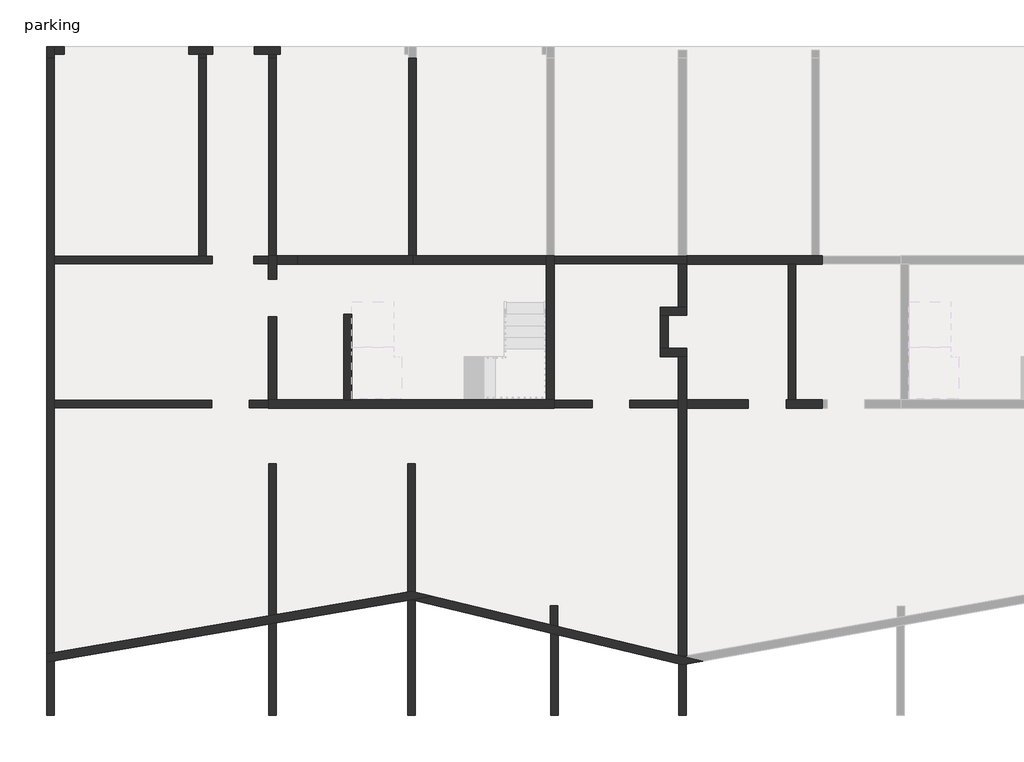
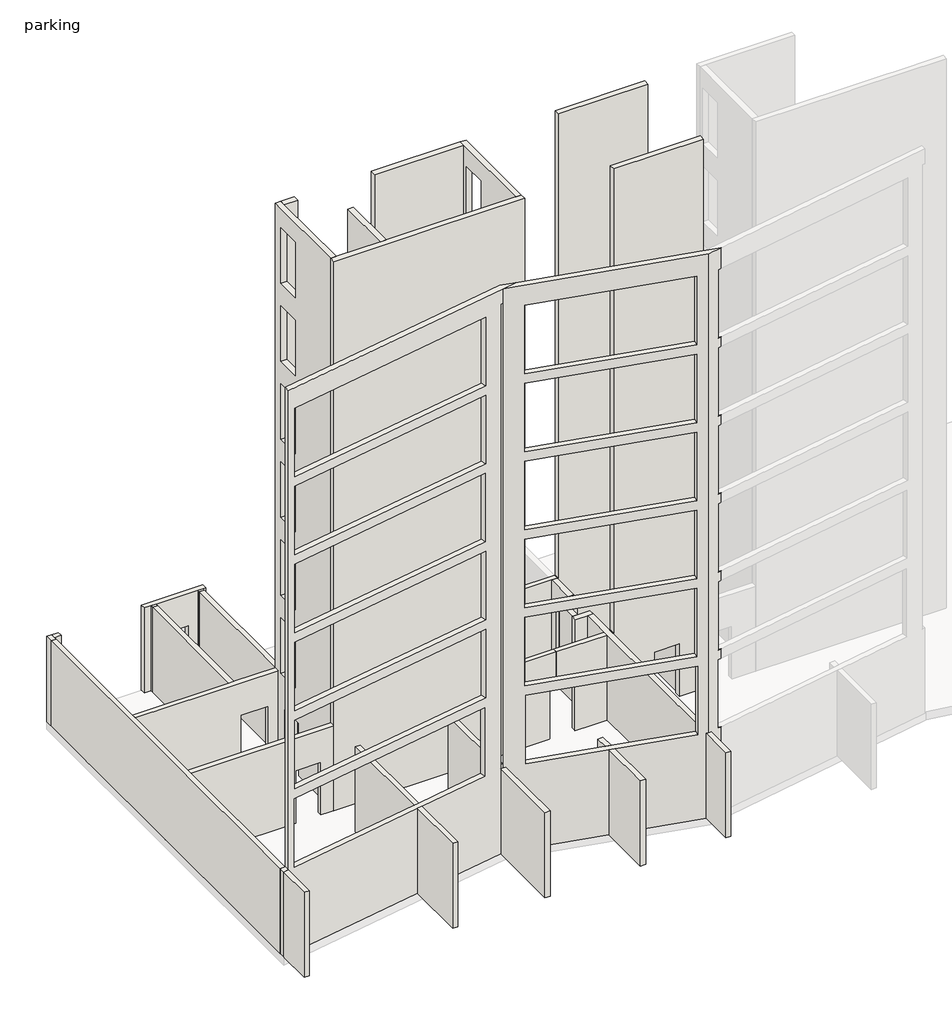
# One storey, part 1 of 4: 39 walls.
"""IFC4 building model written with IfcOpenShell, lengths in millimetres."""

from ifc_helpers import new_model, si_unit, frame, origin, place, context, project, spatial, polyline, outline, extrude, faceted_brep, element, save

model = new_model("IFC4")

# Units and contexts
model_context = context("Model", 3, world=origin())
ifc_project = project(units=[si_unit("LENGTHUNIT", "METRE", prefix="MILLI")], contexts=[model_context])

# Site, building, storey
site = spatial("IfcSite", under=ifc_project)
building = spatial("IfcBuilding", under=site)
storey = spatial("IfcBuildingStorey", under=building, Name="parking", Elevation=-3230.0)

# Walls
placement = place(None, origin())
element("IfcWall", 1, ObjectType="Generic - 180mm 2", at=placement, inside=storey, context=model_context, shape_type="Brep", body=[
    faceted_brep([(-6047.8096791, 13727.190715, -3230.0), (-3082.8096791, 13727.190715, -3230.0), (-2882.8096791, 13727.190715, -3230.0), (-2882.8096791, 13727.190715, 0.0), (-3082.8096791, 13727.190715, 0.0), (-6047.8096791, 13727.190715, 0.0), (-6047.8096791, 13907.190715, -3230.0), (-6047.8096791, 13907.190715, 0.0), (-3082.8096791, 13907.190715, 0.0), (-2882.8096791, 13907.190715, 0.0), (-2882.8096791, 13907.190715, -3230.0), (-3082.8096791, 13907.190715, -3230.0)], [[[0, 1, 2, 3, 4, 5]], [[6, 7, 8, 9, 10, 11]], [[2, 1, 0, 6, 11, 10]], [[5, 4, 3, 9, 8, 7]], [[0, 5, 7, 6]], [[3, 2, 10, 9]]]),
])
element("IfcWall", 2, ObjectType="Generic - 180mm 2", at=placement, inside=storey, context=model_context, shape_type="SweptSolid", body=[
    extrude(outline(polyline([(0.0, -4912.8096791), (0.0, -6047.8096791), (-3230.0, -6047.8096791), (-3230.0, -5139.8096791), (-1230.0, -5139.8096791), (-1230.0, -4912.8096791), (0.0, -4912.8096791)])), frame((0.0, 10277.190715, 0.0), z_axis=(0.0, 1.0, 0.0), x_axis=(0.0, 0.0, 1.0)), (0.0, 0.0, 1.0), 180.0),
])
element("IfcWall", 3, ObjectType="Generic - 180mm 2", at=placement, inside=storey, context=model_context, shape_type="Brep", body=[
    faceted_brep([(-13247.8096791, 13727.190715, -1230.0), (-13247.8096791, 13727.190715, -3230.0), (-12897.8096791, 13727.190715, -3230.0), (-12897.8096791, 13727.190715, 0.0), (-18032.8096791, 13727.190715, 0.0), (-18032.8096791, 13727.190715, -3230.0), (-14247.8096791, 13727.190715, -3230.0), (-14247.8096791, 13727.190715, -1230.0), (-12897.8096791, 13907.190715, -3230.0), (-13247.8096791, 13907.190715, -3230.0), (-13247.8096791, 13907.190715, -1230.0), (-14247.8096791, 13907.190715, -1230.0), (-14247.8096791, 13907.190715, -3230.0), (-14387.8096791, 13907.190715, -3230.0), (-14567.8096791, 13907.190715, -3230.0), (-18032.8096791, 13907.190715, -3230.0), (-18032.8096791, 13907.190715, 0.0), (-14567.8096791, 13907.190715, 0.0), (-14387.8096791, 13907.190715, 0.0), (-12897.8096791, 13907.190715, 0.0)], [[[0, 1, 2, 3, 4, 5, 6, 7]], [[8, 9, 10, 11, 12, 13, 14, 15, 16, 17, 18, 19]], [[6, 5, 15, 14, 13, 12]], [[2, 1, 9, 8]], [[4, 3, 19, 18, 17, 16]], [[3, 2, 8, 19]], [[5, 4, 16, 15]], [[12, 11, 7, 6]], [[10, 9, 1, 0]], [[11, 10, 0, 7]]]),
])
element("IfcWall", 4, ObjectType="Generic - 180mm 2", at=placement, inside=storey, context=model_context, shape_type="SweptSolid", body=[
    extrude(outline(polyline([(-3230.0, -18032.8096791), (-3230.0, -14257.8096791), (-1230.0, -14257.8096791), (-1230.0, -13357.8096791), (-3230.0, -13357.8096791), (-3230.0, -12897.8096791), (0.0, -12897.8096791), (0.0, -18032.8096791), (-3230.0, -18032.8096791)])), frame((0.0, 10277.190715, 0.0), z_axis=(0.0, 1.0, 0.0), x_axis=(0.0, 0.0, 1.0)), (0.0, 0.0, 1.0), 180.0),
])
element("IfcWall", 5, ObjectType="Generic - 180mm 2", at=placement, inside=storey, context=model_context, shape_type="SweptSolid", body=[
    extrude(outline(polyline([(0.0, -3082.8096791), (0.0, -4912.8096791), (-1230.0, -4912.8096791), (-1230.0, -4239.8096791), (-3230.0, -4239.8096791), (-3230.0, -3082.8096791), (0.0, -3082.8096791)])), frame((0.0, 10277.190715, 0.0), z_axis=(0.0, 1.0, 0.0), x_axis=(0.0, 0.0, 1.0)), (0.0, 0.0, 1.0), 180.0),
])
element("IfcWall", 6, ObjectType="Generic - 180mm 2", at=placement, inside=storey, context=model_context, shape_type="Brep", body=[
    faceted_brep([(-18212.8096791, 18647.190715, -3230.0), (-18212.8096791, 4388.287334, -3230.0), (-18212.8096791, 4388.287334, 0.0), (-18212.8096791, 18647.190715, 0.0), (-18032.8096791, 18647.190715, -3230.0), (-18032.8096791, 18647.190715, 0.0), (-18032.8096791, 13907.190715, 0.0), (-18032.8096791, 13727.190715, 0.0), (-18032.8096791, 10457.190715, 0.0), (-18032.8096791, 10277.190715, 0.0), (-18032.8096791, 4418.9809757, 0.0), (-18032.8096791, 4418.9809757, -3230.0), (-18032.8096791, 10277.190715, -3230.0), (-18032.8096791, 10457.190715, -3230.0), (-18032.8096791, 13727.190715, -3230.0), (-18032.8096791, 13907.190715, -3230.0)], [[[0, 1, 2, 3]], [[4, 5, 6, 7, 8, 9, 10, 11, 12, 13, 14, 15]], [[1, 0, 4, 15, 14, 13, 12, 11]], [[3, 2, 10, 9, 8, 7, 6, 5]], [[0, 3, 5, 4]], [[2, 1, 11, 10]]]),
])
element("IfcWall", 7, ObjectType="Generic - 180mm 2", at=placement, inside=storey, context=model_context, shape_type="SweptSolid", body=[
    extrude(outline(polyline([(-12707.8096791, 18647.190715), (-12707.8096791, 13917.190715), (-12887.8096791, 13917.190715), (-12887.8096791, 18647.190715), (-12707.8096791, 18647.190715)])), frame((0.0, 0.0, -3230.0), z_axis=(0.0, 0.0, 1.0), x_axis=(1.0, 0.0, 0.0)), (0.0, 0.0, 1.0), 3230.0),
])
element("IfcWall", 8, ObjectType="Generic - 180mm 2", at=placement, inside=storey, context=model_context, shape_type="Brep", body=[
    faceted_brep([(-9532.8096791, 18647.190715, -3230.0), (-9532.8096791, 13917.190715, -3230.0), (-9532.8096791, 13917.190715, 0.0), (-9532.8096791, 18647.190715, 0.0), (-9352.8096791, 18647.190715, -3230.0), (-9352.8096791, 18647.190715, 0.0), (-9352.8096791, 13917.190715, 0.0), (-9352.8096791, 13917.190715, -3230.0), (-9437.8096791, 13917.190715, -3230.0), (-9442.8096791, 13917.190715, -3230.0), (-9437.8096791, 13917.190715, 0.0)], [[[0, 1, 2, 3]], [[4, 5, 6, 7]], [[1, 0, 4, 7, 8, 9]], [[3, 2, 10, 6, 5]], [[0, 3, 5, 4]], [[2, 1, 9, 8, 7, 6, 10]]]),
])
element("IfcWall", 9, ObjectType="Generic - 180mm 2", at=placement, inside=storey, context=model_context, shape_type="SweptSolid", body=[
    extrude(outline(polyline([(-14567.8096791, 13907.190715), (-14567.8096791, 18647.190715), (-14387.8096791, 18647.190715), (-14387.8096791, 13907.190715), (-14567.8096791, 13907.190715)])), frame((0.0, 0.0, -3230.0), z_axis=(0.0, 0.0, 1.0), x_axis=(1.0, 0.0, 0.0)), (0.0, 0.0, 1.0), 3230.0),
])
element("IfcWall", 10, ObjectType="Generic - 180mm 2", at=placement, inside=storey, context=model_context, shape_type="SweptSolid", body=[
    extrude(outline(polyline([(-446.8096791, 10467.190715), (-446.8096791, 13717.190715), (-266.8096791, 13717.190715), (-266.8096791, 10467.190715), (-446.8096791, 10467.190715)])), frame((0.0, 0.0, -3230.0), z_axis=(0.0, 0.0, 1.0), x_axis=(1.0, 0.0, 0.0)), (0.0, 0.0, 1.0), 3230.0),
])
element("IfcWall", 11, ObjectType="Generic - 180mm 2", at=placement, inside=storey, context=model_context, shape_type="SweptSolid", body=[
    extrude(outline(polyline([(-9379.3905706, 8937.190715), (-9379.3905706, 5857.5839), (-9469.3905706, 5879.217182), (-9559.3905706, 5863.8703612), (-9559.3905706, 8937.190715), (-9379.3905706, 8937.190715)])), frame((0.0, 0.0, -3230.0), z_axis=(0.0, 0.0, 1.0), x_axis=(1.0, 0.0, 0.0)), (0.0, 0.0, 1.0), 3230.0),
])
element("IfcWall", 12, ObjectType="Generic - 180mm 2", at=placement, inside=storey, context=model_context, shape_type="SweptSolid", body=[
    extrude(outline(polyline([(-12891.8096791, 5295.6254843), (-12891.8096791, 8937.190715), (-12711.8096791, 8937.190715), (-12711.8096791, 5326.3191259), (-12891.8096791, 5295.6254843)])), frame((0.0, 0.0, -3230.0), z_axis=(0.0, 0.0, 1.0), x_axis=(1.0, 0.0, 0.0)), (0.0, 0.0, 1.0), 3230.0),
])
element("IfcWall", 13, ObjectType="Generic - 180mm 2", at=placement, inside=storey, context=model_context, shape_type="SweptSolid", body=[
    extrude(outline(polyline([(-6148.8096791, 5081.0498183), (-6148.8096791, 5537.5682188), (-5968.8096791, 5537.5682188), (-5968.8096791, 5037.7832543), (-6148.8096791, 5081.0498183)])), frame((0.0, 0.0, -3230.0), z_axis=(0.0, 0.0, 1.0), x_axis=(1.0, 0.0, 0.0)), (0.0, 0.0, 1.0), 3230.0),
])
element("IfcWall", 14, ObjectType="Generic - 180mm 2", at=placement, inside=storey, context=model_context, shape_type="Brep", body=[
    faceted_brep([(-18032.8096791, 18647.190715, -3230.0), (-18032.8096791, 18747.190715, -3230.0), (-18032.8096791, 18927.190715, -3230.0), (-18032.8096791, 18927.190715, 0.0), (-18032.8096791, 18747.190715, 0.0), (-18032.8096791, 18647.190715, 0.0), (-18212.8096791, 18647.190715, -3230.0), (-18212.8096791, 18647.190715, 0.0), (-18212.8096791, 18927.190715, 0.0), (-18212.8096791, 18927.190715, -3230.0)], [[[0, 1, 2, 3, 4, 5]], [[6, 7, 8, 9]], [[2, 1, 0, 6, 9]], [[5, 4, 3, 8, 7]], [[0, 5, 7, 6]], [[3, 2, 9, 8]]]),
])
element("IfcWall", 15, ObjectType="Generic - 180mm 2", at=placement, inside=storey, context=model_context, shape_type="SweptSolid", body=[
    extrude(outline(polyline([(-17792.2096791, 18747.190715), (-18032.8096791, 18747.190715), (-18032.8096791, 18927.190715), (-17792.2096791, 18927.190715), (-17792.2096791, 18747.190715)])), frame((0.0, 0.0, -3230.0), z_axis=(0.0, 0.0, 1.0), x_axis=(1.0, 0.0, 0.0)), (0.0, 0.0, 1.0), 3230.0),
])
element("IfcWall", 16, ObjectType="Generic - 180mm 2", at=placement, inside=storey, context=model_context, shape_type="SweptSolid", body=[
    extrude(outline(polyline([(-14387.8096791, 18747.190715), (-14387.8096791, 18647.190715), (-14567.8096791, 18647.190715), (-14567.8096791, 18747.190715), (-14387.8096791, 18747.190715)])), frame((0.0, 0.0, -3230.0), z_axis=(0.0, 0.0, 1.0), x_axis=(1.0, 0.0, 0.0)), (0.0, 0.0, 1.0), 3230.0),
])
element("IfcWall", 17, ObjectType="Generic - 180mm 2", at=placement, inside=storey, context=model_context, shape_type="Brep", body=[
    faceted_brep([(-14809.8096791, 18747.190715, -3230.0), (-14567.8096791, 18747.190715, -3230.0), (-14387.8096791, 18747.190715, -3230.0), (-14237.8096791, 18747.190715, -3230.0), (-14237.8096791, 18747.190715, -1230.0), (-13237.8096791, 18747.190715, -1230.0), (-13237.8096791, 18747.190715, -3230.0), (-12887.8096791, 18747.190715, -3230.0), (-12707.8096791, 18747.190715, -3230.0), (-12610.2096791, 18747.190715, -3230.0), (-12610.2096791, 18747.190715, 0.0), (-12707.8096791, 18747.190715, 0.0), (-12887.8096791, 18747.190715, 0.0), (-14387.8096791, 18747.190715, 0.0), (-14567.8096791, 18747.190715, 0.0), (-14809.8096791, 18747.190715, 0.0), (-14237.8096791, 18927.190715, -1230.0), (-14237.8096791, 18927.190715, -3230.0), (-14809.8096791, 18927.190715, -3230.0), (-14809.8096791, 18927.190715, 0.0), (-12610.2096791, 18927.190715, 0.0), (-12610.2096791, 18927.190715, -3230.0), (-13237.8096791, 18927.190715, -3230.0), (-13237.8096791, 18927.190715, -1230.0)], [[[0, 1, 2, 3, 4, 5, 6, 7, 8, 9, 10, 11, 12, 13, 14, 15]], [[16, 17, 18, 19, 20, 21, 22, 23]], [[22, 21, 9, 8, 7, 6]], [[18, 17, 3, 2, 1, 0]], [[10, 9, 21, 20]], [[15, 14, 13, 12, 11, 10, 20, 19]], [[0, 15, 19, 18]], [[6, 5, 23, 22]], [[4, 3, 17, 16]], [[5, 4, 16, 23]]]),
])
element("IfcWall", 18, ObjectType="Generic - 180mm 2", at=placement, inside=storey, context=model_context, shape_type="SweptSolid", body=[
    extrude(outline(polyline([(-12707.8096791, 18747.190715), (-12707.8096791, 18647.190715), (-12887.8096791, 18647.190715), (-12887.8096791, 18747.190715), (-12707.8096791, 18747.190715)])), frame((0.0, 0.0, -3230.0), z_axis=(0.0, 0.0, 1.0), x_axis=(1.0, 0.0, 0.0)), (0.0, 0.0, 1.0), 3230.0),
])
element("IfcWall", 19, ObjectType="Generic - 180mm 2", at=placement, inside=storey, context=model_context, shape_type="SweptSolid", body=[
    extrude(outline(polyline([(-3075.7484325, 2912.190715), (-3075.7484325, 4136.682067), (-2985.7484325, 4115.0487851), (-2895.7484325, 4131.2743378), (-2895.7484325, 2912.190715), (-3075.7484325, 2912.190715)])), frame((0.0, 0.0, -3230.0), z_axis=(0.0, 0.0, 1.0), x_axis=(1.0, 0.0, 0.0)), (0.0, 0.0, 1.0), 3230.0),
])
element("IfcWall", 20, ObjectType="Generic - 180mm 2", at=placement, inside=storey, context=model_context, shape_type="SweptSolid", body=[
    extrude(outline(polyline([(-6137.8096791, 2912.190715), (-6137.8096791, 4872.7091155), (-5957.8096791, 4829.4425516), (-5957.8096791, 2912.190715), (-6137.8096791, 2912.190715)])), frame((0.0, 0.0, -3230.0), z_axis=(0.0, 0.0, 1.0), x_axis=(1.0, 0.0, 0.0)), (0.0, 0.0, 1.0), 3230.0),
])
element("IfcWall", 21, ObjectType="Generic - 180mm 2", at=placement, inside=storey, context=model_context, shape_type="SweptSolid", body=[
    extrude(outline(polyline([(-18212.8096791, 2912.190715), (-18212.8096791, 4185.4004543), (-18032.8096791, 4216.0940959), (-18032.8096791, 2912.190715), (-18212.8096791, 2912.190715)])), frame((0.0, 0.0, -3230.0), z_axis=(0.0, 0.0, 1.0), x_axis=(1.0, 0.0, 0.0)), (0.0, 0.0, 1.0), 3230.0),
])
element("IfcWall", 22, ObjectType="Generic - 180mm 2", at=placement, inside=storey, context=model_context, shape_type="SweptSolid", body=[
    extrude(outline(polyline([(-12887.8096791, 2908.7675063), (-12887.8096791, 5093.4206855), (-12707.8096791, 5124.1143271), (-12707.8096791, 2908.7675063), (-12887.8096791, 2908.7675063)])), frame((0.0, 0.0, -3230.0), z_axis=(0.0, 0.0, 1.0), x_axis=(1.0, 0.0, 0.0)), (0.0, 0.0, 1.0), 3230.0),
])
element("IfcWall", 23, ObjectType="Generic - 180mm 2", at=placement, inside=storey, context=model_context, shape_type="SweptSolid", body=[
    extrude(outline(polyline([(-9566.2287876, 2912.190715), (-9566.2287876, 5659.8174271), (-9476.2287876, 5675.1642479), (-9386.2287876, 5653.530966), (-9386.2287876, 2912.190715), (-9566.2287876, 2912.190715)])), frame((0.0, 0.0, -3230.0), z_axis=(0.0, 0.0, 1.0), x_axis=(1.0, 0.0, 0.0)), (0.0, 0.0, 1.0), 3230.0),
])
element("IfcWall", 24, ObjectType="Generic - 200mm", at=placement, inside=storey, context=model_context, shape_type="Brep", body=[
    faceted_brep([(-12897.8096791, 10267.190715, 17620.0), (-12897.8096791, 10267.190715, -3230.0), (-6047.8096791, 10267.190715, -3230.0), (-6047.8096791, 10267.190715, 17620.0), (-9372.8096791, 10267.190715, 17620.0), (-9572.8096791, 10267.190715, 17620.0), (-12897.8096791, 10467.190715, -3230.0), (-12897.8096791, 10467.190715, 17620.0), (-12697.8096791, 10467.190715, 17620.0), (-11097.8096791, 10467.190715, 17620.0), (-10897.8096791, 10467.190715, 17620.0), (-6247.8096791, 10467.190715, 17620.0), (-6047.8096791, 10467.190715, 17620.0), (-6047.8096791, 10467.190715, -3230.0), (-6247.8096791, 10467.190715, -3230.0), (-10897.8096791, 10467.190715, -3230.0), (-11097.8096791, 10467.190715, -3230.0), (-12697.8096791, 10467.190715, -3230.0), (-12897.8096791, 10277.190715, -3230.0), (-12897.8096791, 10457.190715, -3230.0), (-6047.8096791, 10457.190715, -3230.0), (-6047.8096791, 10277.190715, -3230.0)], [[[0, 1, 2, 3, 4, 5]], [[6, 7, 8, 9, 10, 11, 12, 13, 14, 15, 16, 17]], [[2, 1, 18, 19, 6, 17, 16, 15, 14, 13, 20, 21]], [[0, 5, 4, 3, 12, 11, 10, 9, 8, 7]], [[2, 21, 20, 13, 12, 3]], [[0, 7, 6, 19, 18, 1]]]),
])
element("IfcWall", 25, ObjectType="Generic - 200mm", at=placement, inside=storey, context=model_context, shape_type="Brep", body=[
    faceted_brep([(-6047.8096791, 10467.190715, -3230.0), (-6047.8096791, 13727.190715, -3230.0), (-6047.8096791, 13907.190715, -3230.0), (-6047.8096791, 13917.190715, -3230.0), (-6047.8096791, 13917.190715, 17620.0), (-6047.8096791, 10467.190715, 17620.0), (-6047.8096791, 12657.190715, 8020.0), (-6047.8096791, 13557.190715, 8020.0), (-6047.8096791, 13557.190715, 5920.0), (-6047.8096791, 12657.190715, 5920.0), (-6047.8096791, 12617.190715, 2100.0), (-6047.8096791, 13557.190715, 2100.0), (-6047.8096791, 13557.190715, 0.0), (-6047.8096791, 12617.190715, 0.0), (-6047.8096791, 13557.190715, 10980.0), (-6047.8096791, 13557.190715, 8880.0), (-6047.8096791, 12657.190715, 8880.0), (-6047.8096791, 12657.190715, 10980.0), (-6047.8096791, 12657.190715, 13940.0), (-6047.8096791, 13557.190715, 13940.0), (-6047.8096791, 13557.190715, 11840.0), (-6047.8096791, 12657.190715, 11840.0), (-6047.8096791, 12657.190715, 16900.0), (-6047.8096791, 13557.190715, 16900.0), (-6047.8096791, 13557.190715, 14800.0), (-6047.8096791, 12657.190715, 14800.0), (-6047.8096791, 13557.190715, 5060.0), (-6047.8096791, 13557.190715, 2960.0), (-6047.8096791, 12657.190715, 2960.0), (-6047.8096791, 12657.190715, 5060.0), (-6247.8096791, 13917.190715, -3230.0), (-6247.8096791, 13717.190715, -3230.0), (-6247.8096791, 10467.190715, -3230.0), (-6247.8096791, 10467.190715, 17620.0), (-6247.8096791, 13717.190715, 17620.0), (-6247.8096791, 13917.190715, 17620.0), (-6247.8096791, 12657.190715, 8020.0), (-6247.8096791, 12657.190715, 5920.0), (-6247.8096791, 13557.190715, 5920.0), (-6247.8096791, 13557.190715, 8020.0), (-6247.8096791, 13557.190715, 10980.0), (-6247.8096791, 12657.190715, 10980.0), (-6247.8096791, 12657.190715, 8880.0), (-6247.8096791, 13557.190715, 8880.0), (-6247.8096791, 12657.190715, 13940.0), (-6247.8096791, 12657.190715, 11840.0), (-6247.8096791, 13557.190715, 11840.0), (-6247.8096791, 13557.190715, 13940.0), (-6247.8096791, 12657.190715, 16900.0), (-6247.8096791, 12657.190715, 14800.0), (-6247.8096791, 13557.190715, 14800.0), (-6247.8096791, 13557.190715, 16900.0), (-6247.8096791, 12617.190715, 0.0), (-6247.8096791, 13557.190715, 0.0), (-6247.8096791, 13557.190715, 2100.0), (-6247.8096791, 12617.190715, 2100.0), (-6247.8096791, 13557.190715, 5060.0), (-6247.8096791, 12657.190715, 5060.0), (-6247.8096791, 12657.190715, 2960.0), (-6247.8096791, 13557.190715, 2960.0), (-6237.8096791, 13917.190715, -3230.0), (-6057.8096791, 13917.190715, -3230.0)], [[[0, 1, 2, 3, 4, 5], [6, 7, 8, 9], [10, 11, 12, 13], [14, 15, 16, 17], [18, 19, 20, 21], [22, 23, 24, 25], [26, 27, 28, 29]], [[30, 31, 32, 33, 34, 35], [36, 37, 38, 39], [40, 41, 42, 43], [44, 45, 46, 47], [48, 49, 50, 51], [52, 53, 54, 55], [56, 57, 58, 59]], [[3, 2, 1, 0, 32, 31, 30, 60, 61]], [[5, 4, 35, 34, 33]], [[12, 53, 52, 13]], [[54, 53, 12, 11]], [[54, 11, 10, 55]], [[37, 36, 6, 9]], [[38, 37, 9, 8]], [[39, 38, 8, 7]], [[36, 39, 7, 6]], [[55, 10, 13, 52]], [[15, 14, 40, 43]], [[16, 15, 43, 42]], [[17, 16, 42, 41]], [[14, 17, 41, 40]], [[45, 44, 18, 21]], [[46, 45, 21, 20]], [[47, 46, 20, 19]], [[44, 47, 19, 18]], [[49, 48, 22, 25]], [[50, 49, 25, 24]], [[51, 50, 24, 23]], [[48, 51, 23, 22]], [[3, 61, 60, 30, 35, 4]], [[5, 33, 32, 0]], [[27, 26, 56, 59]], [[28, 27, 59, 58]], [[29, 28, 58, 57]], [[26, 29, 57, 56]]]),
])
element("IfcWall", 26, ObjectType="Generic - 200mm", at=placement, inside=storey, context=model_context, shape_type="Brep", body=[
    faceted_brep([(-12697.8096791, 10467.190715, -3230.0), (-12697.8096791, 12457.190715, -3230.0), (-12697.8096791, 12457.190715, -1230.0), (-12697.8096791, 13357.190715, -1230.0), (-12697.8096791, 13357.190715, -3230.0), (-12697.8096791, 13717.190715, -3230.0), (-12697.8096791, 13917.190715, -3230.0), (-12697.8096791, 13917.190715, 17620.0), (-12697.8096791, 13717.190715, 17620.0), (-12697.8096791, 10467.190715, 17620.0), (-12697.8096791, 12657.190715, 2100.0), (-12697.8096791, 13557.190715, 2100.0), (-12697.8096791, 13557.190715, 0.0), (-12697.8096791, 12657.190715, 0.0), (-12697.8096791, 13557.190715, 8020.0), (-12697.8096791, 13557.190715, 5920.0), (-12697.8096791, 12657.190715, 5920.0), (-12697.8096791, 12657.190715, 8020.0), (-12697.8096791, 13557.190715, 10980.0), (-12697.8096791, 13557.190715, 8880.0), (-12697.8096791, 12657.190715, 8880.0), (-12697.8096791, 12657.190715, 10980.0), (-12697.8096791, 12657.190715, 13940.0), (-12697.8096791, 13557.190715, 13940.0), (-12697.8096791, 13557.190715, 11840.0), (-12697.8096791, 12657.190715, 11840.0), (-12697.8096791, 12657.190715, 16900.0), (-12697.8096791, 13557.190715, 16900.0), (-12697.8096791, 13557.190715, 14800.0), (-12697.8096791, 12657.190715, 14800.0), (-12697.8096791, 12657.190715, 5060.0), (-12697.8096791, 13557.190715, 5060.0), (-12697.8096791, 13557.190715, 2960.0), (-12697.8096791, 12657.190715, 2960.0), (-12897.8096791, 12457.190715, -1230.0), (-12897.8096791, 12457.190715, -3230.0), (-12897.8096791, 10467.190715, -3230.0), (-12897.8096791, 10467.190715, 17620.0), (-12897.8096791, 13917.190715, 17620.0), (-12897.8096791, 13917.190715, -3230.0), (-12897.8096791, 13907.190715, -3230.0), (-12897.8096791, 13727.190715, -3230.0), (-12897.8096791, 13357.190715, -3230.0), (-12897.8096791, 13357.190715, -1230.0), (-12897.8096791, 12657.190715, 2100.0), (-12897.8096791, 12657.190715, 0.0), (-12897.8096791, 13557.190715, 0.0), (-12897.8096791, 13557.190715, 2100.0), (-12897.8096791, 13557.190715, 8020.0), (-12897.8096791, 12657.190715, 8020.0), (-12897.8096791, 12657.190715, 5920.0), (-12897.8096791, 13557.190715, 5920.0), (-12897.8096791, 13557.190715, 10980.0), (-12897.8096791, 12657.190715, 10980.0), (-12897.8096791, 12657.190715, 8880.0), (-12897.8096791, 13557.190715, 8880.0), (-12897.8096791, 12657.190715, 13940.0), (-12897.8096791, 12657.190715, 11840.0), (-12897.8096791, 13557.190715, 11840.0), (-12897.8096791, 13557.190715, 13940.0), (-12897.8096791, 12657.190715, 16900.0), (-12897.8096791, 12657.190715, 14800.0), (-12897.8096791, 13557.190715, 14800.0), (-12897.8096791, 13557.190715, 16900.0), (-12897.8096791, 12657.190715, 5060.0), (-12897.8096791, 12657.190715, 2960.0), (-12897.8096791, 13557.190715, 2960.0), (-12897.8096791, 13557.190715, 5060.0), (-12887.8096791, 13917.190715, -3230.0), (-12707.8096791, 13917.190715, -3230.0)], [[[0, 1, 2, 3, 4, 5, 6, 7, 8, 9], [10, 11, 12, 13], [14, 15, 16, 17], [18, 19, 20, 21], [22, 23, 24, 25], [26, 27, 28, 29], [30, 31, 32, 33]], [[34, 35, 36, 37, 38, 39, 40, 41, 42, 43], [44, 45, 46, 47], [48, 49, 50, 51], [52, 53, 54, 55], [56, 57, 58, 59], [60, 61, 62, 63], [64, 65, 66, 67]], [[36, 35, 1, 0]], [[42, 41, 40, 39, 68, 69, 6, 5, 4]], [[9, 8, 7, 38, 37]], [[45, 44, 10, 13]], [[46, 45, 13, 12]], [[47, 46, 12, 11]], [[44, 47, 11, 10]], [[15, 14, 48, 51]], [[16, 15, 51, 50]], [[17, 16, 50, 49]], [[14, 17, 49, 48]], [[19, 18, 52, 55]], [[20, 19, 55, 54]], [[21, 20, 54, 53]], [[18, 21, 53, 52]], [[57, 56, 22, 25]], [[58, 57, 25, 24]], [[59, 58, 24, 23]], [[56, 59, 23, 22]], [[61, 60, 26, 29]], [[62, 61, 29, 28]], [[63, 62, 28, 27]], [[60, 63, 27, 26]], [[6, 69, 68, 39, 38, 7]], [[9, 37, 36, 0]], [[4, 3, 43, 42]], [[2, 1, 35, 34]], [[3, 2, 34, 43]], [[65, 64, 30, 33]], [[66, 65, 33, 32]], [[67, 66, 32, 31]], [[64, 67, 31, 30]]]),
])
element("IfcWall", 27, ObjectType="Generic - 200mm", at=placement, inside=storey, context=model_context, shape_type="SweptSolid", body=[
    extrude(outline(polyline([(-10897.8096791, 12512.190715), (-10897.8096791, 10467.190715), (-11097.8096791, 10467.190715), (-11097.8096791, 12512.190715), (-10897.8096791, 12512.190715)])), frame((0.0, 0.0, -3230.0), z_axis=(0.0, 0.0, 1.0), x_axis=(1.0, 0.0, 0.0)), (0.0, 0.0, 1.0), 20850.0),
])
element("IfcWall", 28, ObjectType="Generic - 200mm", at=placement, inside=storey, context=model_context, shape_type="SweptSolid", body=[
    extrude(outline(polyline([(17620.0, -12697.8096791), (-3230.0, -12697.8096791), (-3230.0, -12207.8096791), (0.0, -12207.8096791), (0.0, -12112.8096791), (2960.0, -12112.8096791), (2960.0, -12207.8096791), (17620.0, -12207.8096791), (17620.0, -12697.8096791)])), frame((0.0, 13717.190715, 0.0), z_axis=(0.0, 1.0, 0.0), x_axis=(0.0, 0.0, 1.0)), (0.0, 0.0, 1.0), 200.0),
])
element("IfcWall", 29, ObjectType="Generic - 200mm", at=placement, inside=storey, context=model_context, shape_type="Brep", body=[
    faceted_brep([(-9442.8096791, 13717.190715, -3230.0), (-6247.8096791, 13717.190715, -3230.0), (-6247.8096791, 13717.190715, 17620.0), (-9442.8096791, 13717.190715, 17620.0), (-9442.8096791, 13717.190715, 2960.0), (-9532.8096791, 13717.190715, 2960.0), (-9532.8096791, 13717.190715, 0.0), (-9442.8096791, 13717.190715, 0.0), (-9442.8096791, 13917.190715, -3230.0), (-9442.8096791, 13917.190715, 0.0), (-9532.8096791, 13917.190715, 0.0), (-9532.8096791, 13917.190715, 2960.0), (-9442.8096791, 13917.190715, 2960.0), (-9442.8096791, 13917.190715, 17620.0), (-9342.8096791, 13917.190715, 17620.0), (-6247.8096791, 13917.190715, 17620.0), (-6247.8096791, 13917.190715, -3230.0), (-9352.8096791, 13917.190715, -3230.0)], [[[0, 1, 2, 3, 4, 5, 6, 7]], [[8, 9, 10, 11, 12, 13, 14, 15, 16, 17]], [[1, 0, 8, 17, 16]], [[3, 2, 15, 14, 13]], [[0, 7, 9, 8]], [[6, 10, 9, 7]], [[1, 16, 15, 2]], [[4, 3, 13, 12]], [[4, 12, 11, 5]], [[6, 5, 11, 10]]]),
])
element("IfcWall", 30, ObjectType="Generic - 200mm", at=placement, inside=storey, context=model_context, shape_type="Brep", body=[
    faceted_brep([(-501.8096791, 10267.190715, -1230.0), (-501.8096791, 10267.190715, -3230.0), (367.1903209, 10267.190715, -3230.0), (367.1903209, 10267.190715, 0.0), (367.1903209, 10267.190715, 17620.0), (-2852.8096791, 10267.190715, 17620.0), (-2852.8096791, 10267.190715, 0.0), (-2882.8096791, 10267.190715, 0.0), (-2882.8096791, 10267.190715, -3230.0), (-1401.8096791, 10267.190715, -3230.0), (-1401.8096791, 10267.190715, -1230.0), (367.1903209, 10467.190715, -3230.0), (-266.8096791, 10467.190715, -3230.0), (-446.8096791, 10467.190715, -3230.0), (-501.8096791, 10467.190715, -3230.0), (-501.8096791, 10467.190715, -1230.0), (-1401.8096791, 10467.190715, -1230.0), (-1401.8096791, 10467.190715, -3230.0), (-2882.8096791, 10467.190715, -3230.0), (-2882.8096791, 10467.190715, 0.0), (-2852.8096791, 10467.190715, 0.0), (-2852.8096791, 10467.190715, 17620.0), (367.1903209, 10467.190715, 17620.0), (367.1903209, 10467.190715, 0.0)], [[[0, 1, 2, 3, 4, 5, 6, 7, 8, 9, 10]], [[11, 12, 13, 14, 15, 16, 17, 18, 19, 20, 21, 22, 23]], [[9, 8, 18, 17]], [[2, 1, 14, 13, 12, 11]], [[4, 3, 2, 11, 23, 22]], [[5, 4, 22, 21]], [[6, 20, 19, 7]], [[8, 7, 19, 18]], [[6, 5, 21, 20]], [[17, 16, 10, 9]], [[15, 14, 1, 0]], [[16, 15, 0, 10]]]),
])
element("IfcWall", 31, ObjectType="Generic - 200mm", at=placement, inside=storey, context=model_context, shape_type="Brep", body=[
    faceted_brep([(-2882.8096791, 13717.190715, -3230.0), (-446.8096791, 13717.190715, -3230.0), (-266.8096791, 13717.190715, -3230.0), (367.1903209, 13717.190715, -3230.0), (367.1903209, 13717.190715, 17620.0), (-2852.8096791, 13717.190715, 17620.0), (-2852.8096791, 13717.190715, 0.0), (-2882.8096791, 13717.190715, 0.0), (-2882.8096791, 13917.190715, -3230.0), (-2882.8096791, 13917.190715, 0.0), (-2852.8096791, 13917.190715, 0.0), (-2852.8096791, 13917.190715, 17620.0), (367.1903209, 13917.190715, 17620.0), (367.1903209, 13917.190715, -3230.0), (297.1903209, 13917.190715, -3230.0), (117.1903209, 13917.190715, -3230.0), (-2882.8096791, 13727.190715, -3230.0), (-2882.8096791, 13907.190715, -3230.0), (367.1903209, 13907.190715, -3230.0), (367.1903209, 13727.190715, -3230.0), (-2882.8096791, 13907.190715, 0.0), (-2882.8096791, 13727.190715, 0.0)], [[[0, 1, 2, 3, 4, 5, 6, 7]], [[8, 9, 10, 11, 12, 13, 14, 15]], [[3, 2, 1, 0, 16, 17, 8, 15, 14, 13, 18, 19]], [[4, 3, 19, 18, 13, 12]], [[5, 4, 12, 11]], [[6, 10, 9, 20, 21, 7]], [[0, 7, 21, 20, 9, 8, 17, 16]], [[6, 5, 11, 10]]]),
])
element("IfcWall", 32, ObjectType="Generic - 200mm", at=placement, inside=storey, context=model_context, shape_type="Brep", body=[
    faceted_brep([(-12207.8096791, 13717.190715, -3230.0), (-9437.8096791, 13717.190715, -3230.0), (-9437.8096791, 13717.190715, 0.0), (-9442.8096791, 13717.190715, 0.0), (-9532.8096791, 13717.190715, 0.0), (-12112.8096791, 13717.190715, 0.0), (-12207.8096791, 13717.190715, 0.0), (-12207.8096791, 13917.190715, -3230.0), (-12207.8096791, 13917.190715, 0.0), (-12112.8096791, 13917.190715, 0.0), (-9532.8096791, 13917.190715, 0.0), (-9442.8096791, 13917.190715, 0.0), (-9437.8096791, 13917.190715, 0.0), (-9437.8096791, 13917.190715, -3230.0), (-9532.8096791, 13917.190715, -3230.0)], [[[0, 1, 2, 3, 4, 5, 6]], [[7, 8, 9, 10, 11, 12, 13, 14]], [[1, 0, 7, 14, 13]], [[2, 1, 13, 12]], [[6, 5, 4, 3, 2, 12, 11, 10, 9, 8]], [[0, 6, 8, 7]]]),
])
element("IfcWall", 33, ObjectType="Generic - 200mm", at=placement, inside=storey, context=model_context, shape_type="Brep", body=[
    faceted_brep([(-2882.8096791, 4336.8312268, -3230.0), (-2882.8096791, 11495.690715, -3230.0), (-2882.8096791, 11495.690715, 0.0), (-2882.8096791, 4336.8312268, 0.0), (-3082.8096791, 4344.0760124, -3230.0), (-3082.8096791, 4344.0760124, 0.0), (-3082.8096791, 10277.190715, 0.0), (-3082.8096791, 10457.190715, 0.0), (-3082.8096791, 11495.690715, 0.0), (-3082.8096791, 11495.690715, -3230.0), (-3082.8096791, 10457.190715, -3230.0), (-3082.8096791, 10277.190715, -3230.0), (-2979.8709257, 4319.3326449, -3230.0), (-2979.8709257, 4319.3326449, 0.0)], [[[0, 1, 2, 3]], [[4, 5, 6, 7, 8, 9, 10, 11]], [[1, 0, 12, 4, 11, 10, 9]], [[3, 2, 8, 7, 6, 5, 13]], [[0, 3, 13, 12]], [[13, 5, 4, 12]], [[2, 1, 9, 8]]]),
])
element("IfcWall", 34, ObjectType="Generic - 200mm", at=placement, inside=storey, context=model_context, shape_type="Brep", body=[
    faceted_brep([(-3082.8096791, 13727.190715, -3230.0), (-3082.8096791, 12688.190715, -3230.0), (-3082.8096791, 12688.190715, 0.0), (-3082.8096791, 13727.190715, 0.0), (-2882.8096791, 13727.190715, -3230.0), (-2882.8096791, 13727.190715, 0.0), (-2882.8096791, 13717.190715, 0.0), (-2882.8096791, 12688.190715, 0.0), (-2882.8096791, 12688.190715, -3230.0), (-2882.8096791, 13717.190715, -3230.0)], [[[0, 1, 2, 3]], [[4, 5, 6, 7, 8, 9]], [[1, 0, 4, 9, 8]], [[3, 2, 7, 6, 5]], [[0, 3, 5, 4]], [[2, 1, 8, 7]]]),
])
element("IfcWall", 35, ObjectType="Generic - 200mm", at=placement, inside=storey, context=model_context, shape_type="Brep", body=[
    faceted_brep([(-2882.8096791, 12688.190715, -3230.0), (-3082.8096791, 12688.190715, -3230.0), (-3517.8096791, 12688.190715, -3230.0), (-3517.8096791, 12688.190715, 0.0), (-3082.8096791, 12688.190715, 0.0), (-2882.8096791, 12688.190715, 0.0), (-2882.8096791, 12488.190715, -3230.0), (-2882.8096791, 12488.190715, 0.0), (-3317.8096791, 12488.190715, 0.0), (-3517.8096791, 12488.190715, 0.0), (-3517.8096791, 12488.190715, -3230.0), (-3317.8096791, 12488.190715, -3230.0)], [[[0, 1, 2, 3, 4, 5]], [[6, 7, 8, 9, 10, 11]], [[2, 1, 0, 6, 11, 10]], [[5, 4, 3, 9, 8, 7]], [[0, 5, 7, 6]], [[3, 2, 10, 9]]]),
])
element("IfcWall", 36, ObjectType="Generic - 200mm", at=placement, inside=storey, context=model_context, shape_type="Brep", body=[
    faceted_brep([(-2882.8096791, 11695.690715, -3230.0), (-3317.8096791, 11695.690715, -3230.0), (-3517.8096791, 11695.690715, -3230.0), (-3517.8096791, 11695.690715, 0.0), (-3317.8096791, 11695.690715, 0.0), (-2882.8096791, 11695.690715, 0.0), (-2882.8096791, 11495.690715, -3230.0), (-2882.8096791, 11495.690715, 0.0), (-3082.8096791, 11495.690715, 0.0), (-3517.8096791, 11495.690715, 0.0), (-3517.8096791, 11495.690715, -3230.0), (-3082.8096791, 11495.690715, -3230.0)], [[[0, 1, 2, 3, 4, 5]], [[6, 7, 8, 9, 10, 11]], [[2, 1, 0, 6, 11, 10]], [[5, 4, 3, 9, 8, 7]], [[0, 5, 7, 6]], [[3, 2, 10, 9]]]),
])
element("IfcWall", 37, ObjectType="Generic - 200mm", at=placement, inside=storey, context=model_context, shape_type="SweptSolid", body=[
    extrude(outline(polyline([(-3517.8096791, 11695.690715), (-3517.8096791, 12488.190715), (-3317.8096791, 12488.190715), (-3317.8096791, 11695.690715), (-3517.8096791, 11695.690715)])), frame((0.0, 0.0, -3230.0), z_axis=(0.0, 0.0, 1.0), x_axis=(1.0, 0.0, 0.0)), (0.0, 0.0, 1.0), 3230.0),
])
element("IfcWall", 38, ObjectType="Generic - 200mm ext", at=placement, inside=storey, context=model_context, shape_type="Brep", body=[
    faceted_brep([(-18212.8096791, 4185.4004543, -3230.0), (-18032.8096791, 4216.0940959, -3230.0), (-12887.8096791, 5093.4206855, -3230.0), (-12707.8096791, 5124.1143271, -3230.0), (-9566.2287876, 5659.8174271, -3230.0), (-9476.2287876, 5675.1642479, -3230.0), (-8975.6164109, 5760.5287862, -3230.0), (-8975.6164109, 5760.5287862, 0.0), (-9372.8096791, 5692.7992982, 0.0), (-9476.2287876, 5675.1642479, 0.0), (-9566.2287876, 5659.8174271, 0.0), (-9572.8096791, 5658.695252, 0.0), (-9572.8096791, 5658.695252, 17620.0), (-9372.8096791, 5692.7992982, 17620.0), (-8975.6164109, 5760.5287862, 17620.0), (-8975.6164109, 5760.5287862, 18180.0), (-9476.2287876, 5675.1642479, 18180.0), (-18022.8096791, 4217.7992982, 18180.0), (-18022.8096791, 4217.7992982, 0.0), (-18032.8096791, 4216.0940959, 0.0), (-18212.8096791, 4185.4004543, 0.0), (-10200.5647671, 5551.6503092, 2600.0), (-10200.5647671, 5551.6503092, 0.0), (-12707.8096791, 5124.1143271, 0.0), (-12887.8096791, 5093.4206855, 0.0), (-17795.9302338, 4256.4868337, 0.0), (-17795.9302338, 4256.4868337, 2600.0), (-17770.2178435, 4260.8713164, 8520.0), (-10174.8523769, 5556.034792, 8520.0), (-10174.8523769, 5556.034792, 5920.0), (-17770.2178435, 4260.8713164, 5920.0), (-17770.9586403, 4260.7449956, 11480.0), (-10175.5931737, 5555.9084711, 11480.0), (-10175.5931737, 5555.9084711, 8880.0), (-17770.9586403, 4260.7449956, 8880.0), (-10175.1268988, 5555.9879804, 14440.0), (-10175.1268988, 5555.9879804, 11840.0), (-17770.4923654, 4260.8245049, 11840.0), (-17770.4923654, 4260.8245049, 14440.0), (-10175.0481486, 5556.0014089, 17400.0), (-10175.0481486, 5556.0014089, 14800.0), (-17770.4136152, 4260.8379334, 14800.0), (-17770.4136152, 4260.8379334, 17400.0), (-17770.7688013, 4260.777367, 5560.0), (-10175.4033347, 5555.9408425, 5560.0), (-10175.4033347, 5555.9408425, 2960.0), (-17770.7688013, 4260.777367, 2960.0), (-18212.8096791, 4388.287334, -3230.0), (-18212.8096791, 4388.287334, 0.0), (-18032.8096791, 4418.9809757, 0.0), (-18022.8096791, 4420.686178, 0.0), (-18022.8096791, 4420.686178, 18180.0), (-9469.3905706, 5879.217182, 18180.0), (-9469.3905706, 5879.217182, 17620.0), (-9572.8096791, 5861.5821317, 17620.0), (-9572.8096791, 5861.5821317, 0.0), (-9559.3905706, 5863.8703612, 0.0), (-9469.3905706, 5879.217182, 0.0), (-9469.3905706, 5879.217182, -3230.0), (-9559.3905706, 5863.8703612, -3230.0), (-12711.8096791, 5326.3191259, -3230.0), (-12891.8096791, 5295.6254843, -3230.0), (-18032.8096791, 4418.9809757, -3230.0), (-10234.1835465, 5748.8045069, 2600.0), (-17829.5490131, 4453.6410314, 2600.0), (-17829.5490131, 4453.6410314, 0.0), (-12891.8096791, 5295.6254843, 0.0), (-12711.8096791, 5326.3191259, 0.0), (-10234.1835465, 5748.8045069, 0.0), (-17803.8366229, 4458.0255141, 8520.0), (-17803.8366229, 4458.0255141, 5920.0), (-10208.4711563, 5753.1889897, 5920.0), (-10208.4711563, 5753.1889897, 8520.0), (-17804.5774197, 4457.8991933, 11480.0), (-17804.5774197, 4457.8991933, 8880.0), (-10209.211953, 5753.0626688, 8880.0), (-10209.211953, 5753.0626688, 11480.0), (-10208.7456781, 5753.1421781, 14440.0), (-17804.1111448, 4457.9787026, 14440.0), (-17804.1111448, 4457.9787026, 11840.0), (-10208.7456781, 5753.1421781, 11840.0), (-10208.6669279, 5753.1556066, 17400.0), (-17804.0323946, 4457.9921311, 17400.0), (-17804.0323946, 4457.9921311, 14800.0), (-10208.6669279, 5753.1556066, 14800.0), (-17804.3875807, 4457.9315647, 5560.0), (-17804.3875807, 4457.9315647, 2960.0), (-10209.022114, 5753.0950402, 2960.0), (-10209.022114, 5753.0950402, 5560.0), (-9379.3905706, 5857.5839, -3230.0), (-9372.8096791, 5856.0020525, 0.0), (-9379.3905706, 5857.5839, 0.0), (-9372.8096791, 5856.0020525, 17620.0)], [[[0, 1, 2, 3, 4, 5, 6, 7, 8, 9, 10, 11, 12, 13, 14, 15, 16, 17, 18, 19, 20], [21, 22, 23, 24, 25, 26], [27, 28, 29, 30], [31, 32, 33, 34], [35, 36, 37, 38], [39, 40, 41, 42], [43, 44, 45, 46]], [[47, 48, 49, 50, 51, 52, 53, 54, 55, 56, 57, 58, 59, 60, 61, 62], [63, 64, 65, 66, 67, 68], [69, 70, 71, 72], [73, 74, 75, 76], [77, 78, 79, 80], [81, 82, 83, 84], [85, 86, 87, 88]], [[6, 5, 4, 3, 2, 1, 0, 47, 62, 61, 60, 59, 58, 89]], [[17, 16, 15, 52, 51]], [[22, 21, 63, 68]], [[25, 24, 23, 22, 68, 67, 66, 65]], [[26, 25, 65, 64]], [[21, 26, 64, 63]], [[70, 69, 27, 30]], [[71, 70, 30, 29]], [[72, 71, 29, 28]], [[69, 72, 28, 27]], [[74, 73, 31, 34]], [[75, 74, 34, 33]], [[76, 75, 33, 32]], [[73, 76, 32, 31]], [[36, 35, 77, 80]], [[37, 36, 80, 79]], [[38, 37, 79, 78]], [[35, 38, 78, 77]], [[40, 39, 81, 84]], [[41, 40, 84, 83]], [[42, 41, 83, 82]], [[39, 42, 82, 81]], [[55, 11, 10, 9, 8, 7, 90, 91, 57, 56]], [[7, 6, 89, 58, 57, 91, 90]], [[18, 50, 49, 48, 20, 19]], [[0, 20, 48, 47]], [[18, 17, 51, 50]], [[86, 85, 43, 46]], [[87, 86, 46, 45]], [[88, 87, 45, 44]], [[85, 88, 44, 43]], [[53, 92, 14, 13, 12, 54]], [[12, 11, 55, 54]], [[15, 14, 92, 53, 52]]]),
])
element("IfcWall", 39, ObjectType="Generic - 200mm ext", at=placement, inside=storey, context=model_context, shape_type="Brep", body=[
    faceted_brep([(-9476.2287876, 5675.1642479, -3230.0), (-9386.2287876, 5653.530966, -3230.0), (-6137.8096791, 4872.7091155, -3230.0), (-5957.8096791, 4829.4425516, -3230.0), (-3075.7484325, 4136.682067, -3230.0), (-2985.7484325, 4115.0487851, -3230.0), (-2985.7484325, 4115.0487851, 0.0), (-2985.7484325, 4115.0487851, 18180.0), (-9476.2287876, 5675.1642479, 18180.0), (-9476.2287876, 5675.1642479, 17620.0), (-9476.2287876, 5675.1642479, 0.0), (-8762.0502588, 5503.497298, 2600.0), (-3346.3077974, 4201.7163674, 2600.0), (-3346.3077974, 4201.7163674, 0.0), (-5957.8096791, 4829.4425516, 0.0), (-6137.8096791, 4872.7091155, 0.0), (-8762.0502588, 5503.497298, 0.0), (-3371.2240451, 4207.7054809, 8520.0), (-3371.2240451, 4207.7054809, 5920.0), (-8786.9665065, 5509.4864115, 5920.0), (-8786.9665065, 5509.4864115, 8520.0), (-3371.0521706, 4207.6641674, 11480.0), (-3371.0521706, 4207.6641674, 8880.0), (-8786.7946321, 5509.4450981, 8880.0), (-8786.7946321, 5509.4450981, 11480.0), (-8786.5613164, 5509.389016, 14440.0), (-3370.818855, 4207.6080854, 14440.0), (-3370.818855, 4207.6080854, 11840.0), (-8786.5613164, 5509.389016, 11840.0), (-8786.6580096, 5509.4122582, 17400.0), (-3370.9155482, 4207.6313275, 17400.0), (-3370.9155482, 4207.6313275, 14800.0), (-8786.6580096, 5509.4122582, 14800.0), (-8792.3901954, 5510.7901025, 5560.0), (-3376.647734, 4209.0091719, 5560.0), (-3376.647734, 4209.0091719, 2960.0), (-8792.3901954, 5510.7901025, 2960.0), (-2496.7556441, 4203.2063214, -3230.0), (-2979.8709257, 4319.3326449, -3230.0), (-3082.8096791, 4344.0760124, -3230.0), (-5968.8096791, 5037.7832543, -3230.0), (-6148.8096791, 5081.0498183, -3230.0), (-8975.6164109, 5760.5287862, -3230.0), (-8975.6164109, 5760.5287862, 0.0), (-9372.8096791, 5856.0020525, 0.0), (-9372.8096791, 5856.0020525, 17620.0), (-8975.6164109, 5760.5287862, 17620.0), (-8975.6164109, 5760.5287862, 18180.0), (-2979.8709257, 4319.3326449, 18180.0), (-2496.7556441, 4203.2063214, 18180.0), (-2496.7556441, 4203.2063214, 17400.0), (-2621.5524953, 4233.2037155, 17400.0), (-2621.5524953, 4233.2037155, 14800.0), (-2496.7556441, 4203.2063214, 14800.0), (-2496.7556441, 4203.2063214, 14440.0), (-2621.6581507, 4233.2291119, 14440.0), (-2621.6581507, 4233.2291119, 11840.0), (-2496.7556441, 4203.2063214, 11840.0), (-2496.7556441, 4203.2063214, 11480.0), (-2621.6701196, 4233.2319889, 11480.0), (-2621.6701196, 4233.2319889, 8880.0), (-2496.7556441, 4203.2063214, 8880.0), (-2496.7556441, 4203.2063214, 8520.0), (-2622.1665837, 4233.3513239, 8520.0), (-2622.1665837, 4233.3513239, 5920.0), (-2496.7556441, 4203.2063214, 5920.0), (-2496.7556441, 4203.2063214, 5560.0), (-2624.6348219, 4233.9446138, 5560.0), (-2624.6348219, 4233.9446138, 2960.0), (-2496.7556441, 4203.2063214, 2960.0), (-2496.7556441, 4203.2063214, 2600.0), (-2650.0902246, 4240.0633238, 2600.0), (-2650.0902246, 4240.0633238, 0.0), (-2496.7556441, 4203.2063214, 0.0), (-8715.307676, 5697.9584277, 2600.0), (-8715.307676, 5697.9584277, 0.0), (-6148.8096791, 5081.0498183, 0.0), (-5968.8096791, 5037.7832543, 0.0), (-3299.5652146, 4396.1774971, 0.0), (-3299.5652146, 4396.1774971, 2600.0), (-3324.4814623, 4402.1666105, 8520.0), (-8740.2239238, 5703.9475412, 8520.0), (-8740.2239238, 5703.9475412, 5920.0), (-3324.4814623, 4402.1666105, 5920.0), (-3324.3095878, 4402.1252971, 11480.0), (-8740.0520493, 5703.9062277, 11480.0), (-8740.0520493, 5703.9062277, 8880.0), (-3324.3095878, 4402.1252971, 8880.0), (-8739.8187336, 5703.8501457, 14440.0), (-8739.8187336, 5703.8501457, 11840.0), (-3324.0762722, 4402.0692151, 11840.0), (-3324.0762722, 4402.0692151, 14440.0), (-8739.9154268, 5703.8733878, 17400.0), (-8739.9154268, 5703.8733878, 14800.0), (-3324.1729654, 4402.0924572, 14800.0), (-3324.1729654, 4402.0924572, 17400.0), (-8745.6476126, 5705.2512322, 5560.0), (-8745.6476126, 5705.2512322, 2960.0), (-3329.9051512, 4403.4703015, 2960.0), (-3329.9051512, 4403.4703015, 5560.0), (-2895.7484325, 4131.2743378, -3230.0), (-2638.8278282, 4177.5929913, 0.0), (-2638.8278282, 4177.5929913, 2600.0), (-2612.9551735, 4182.2574149, 8520.0), (-2612.9551735, 4182.2574149, 5920.0), (-2612.3861898, 4182.3599935, 17400.0), (-2612.3861898, 4182.3599935, 14800.0), (-2612.4840849, 4182.3423446, 14440.0), (-2612.4840849, 4182.3423446, 11840.0), (-2612.4951747, 4182.3403453, 11480.0), (-2612.4951747, 4182.3403453, 8880.0), (-9372.8096791, 5692.7992982, 0.0), (-2615.2421201, 4181.8451152, 5560.0), (-2615.2421201, 4181.8451152, 2960.0), (-9372.8096791, 5692.7992982, 17620.0)], [[[0, 1, 2, 3, 4, 5, 6, 7, 8, 9, 10], [11, 12, 13, 14, 15, 16], [17, 18, 19, 20], [21, 22, 23, 24], [25, 26, 27, 28], [29, 30, 31, 32], [33, 34, 35, 36]], [[37, 38, 39, 40, 41, 42, 43, 44, 45, 46, 47, 48, 49, 50, 51, 52, 53, 54, 55, 56, 57, 58, 59, 60, 61, 62, 63, 64, 65, 66, 67, 68, 69, 70, 71, 72, 73], [74, 75, 76, 77, 78, 79], [80, 81, 82, 83], [84, 85, 86, 87], [88, 89, 90, 91], [92, 93, 94, 95], [96, 97, 98, 99]], [[5, 4, 3, 2, 1, 0, 42, 41, 40, 39, 38, 37, 100]], [[8, 7, 49, 48, 47]], [[75, 74, 11, 16]], [[78, 77, 76, 75, 16, 15, 14, 13]], [[79, 78, 13, 12]], [[74, 79, 12, 11]], [[101, 72, 71, 102]], [[72, 101, 73]], [[102, 71, 70]], [[63, 103, 104, 64]], [[64, 104, 65]], [[103, 63, 62]], [[18, 17, 80, 83]], [[19, 18, 83, 82]], [[20, 19, 82, 81]], [[17, 20, 81, 80]], [[22, 21, 84, 87]], [[23, 22, 87, 86]], [[24, 23, 86, 85]], [[21, 24, 85, 84]], [[89, 88, 25, 28]], [[90, 89, 28, 27]], [[91, 90, 27, 26]], [[88, 91, 26, 25]], [[93, 92, 29, 32]], [[94, 93, 32, 31]], [[95, 94, 31, 30]], [[92, 95, 30, 29]], [[51, 105, 106, 52]], [[52, 106, 53]], [[105, 51, 50]], [[55, 107, 108, 56]], [[56, 108, 57]], [[107, 55, 54]], [[59, 109, 110, 60]], [[60, 110, 61]], [[109, 59, 58]], [[44, 43, 111]], [[0, 10, 111, 43, 42]], [[97, 96, 33, 36]], [[98, 97, 36, 35]], [[99, 98, 35, 34]], [[96, 99, 34, 33]], [[67, 112, 113, 68]], [[68, 113, 69]], [[112, 67, 66]], [[46, 45, 114]], [[111, 10, 9, 114]], [[44, 111, 114, 45]], [[9, 8, 47, 46, 114]], [[5, 100, 37, 73, 101, 102, 70, 69, 113, 112, 66, 65, 104, 103, 62, 61, 110, 109, 58, 57, 108, 107, 54, 53, 106, 105, 50, 49, 7, 6]]]),
])

save(model, "model.ifc")
